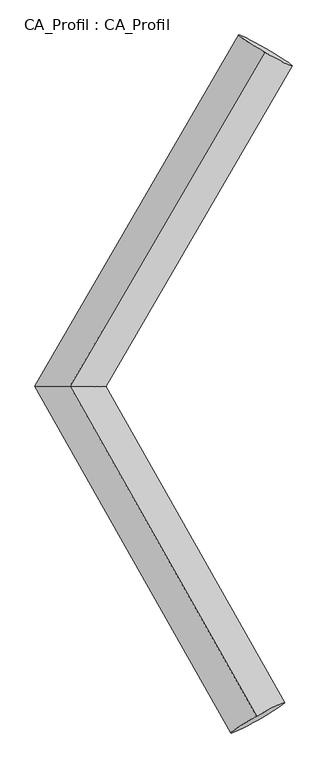
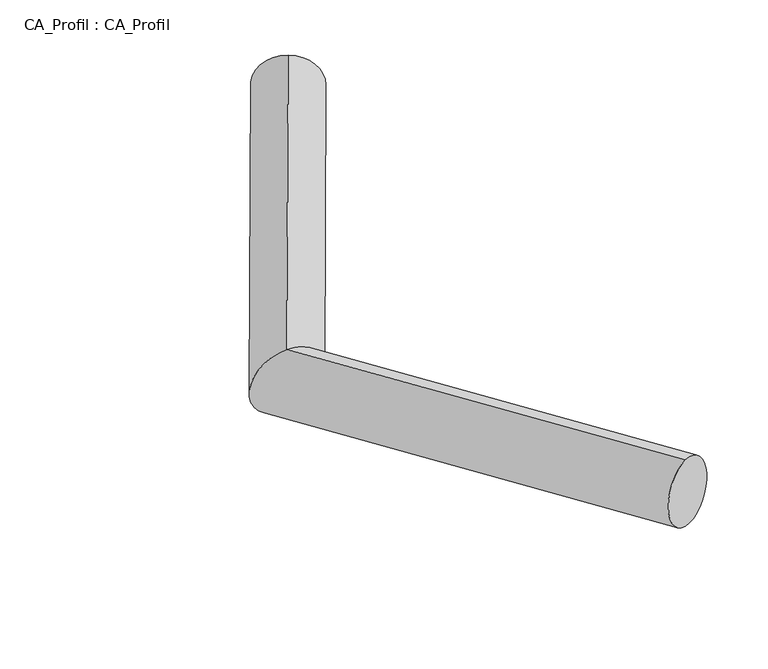
"""IFC4 building model written with IfcOpenShell, lengths in millimetres: plate geometry, CA_Profil : CA_Profil."""

from ifc_helpers import new_model, si_unit, frame, origin, place, context, project, spatial, circle_curve, ellipse_curve, source, transform, mapped, element, save
from ifc_brep_helpers import plane_surface, cylinder_surface, advanced_brep


def ca_profil_ca_profil_8c87a880(model_context):
    return source(origin(), model_context, "Body", "AdvancedBrep", [
        advanced_brep(
        [(6134.3099618, 8834.0301475, -153.6608627), (6120.4595427, 8806.7189534, 345.4005208), (4543.2773438, 6095.7104926, -347.6715623), (4545.6318378, 6096.2895074, 153.3658503), (6071.7882975, 3393.0420617, -151.0617019), (6058.2657112, 3421.6944662, 347.9334678)],
        [
            (0, 1, circle_curve(frame((6127.3847523, 8820.3745504, 95.869829), z_axis=(0.5014411848760472, 0.8630283482058659, 0.06114579546592431), x_axis=(-0.02770083820974605, -0.05462238816739739, 0.9981227671350692)), 250.0)),
            (1, 0, circle_curve(frame((6127.3847523, 8820.3745504, 95.869829), z_axis=(0.5014411848760472, 0.8630283482058659, 0.06114579546592431), x_axis=(-0.02770083820974605, -0.05462238816739739, 0.9981227671350692)), 250.0)),
            (0, 2),
            (2, 3, ellipse_curve(frame((4544.4545908, 6096.0, -97.152856), z_axis=(0.005857859679163249, 0.9999821426719874, -0.0011831386733672474), x_axis=(0.9922313837091266, -0.005665416404527502, 0.12427704631039137)), 288.7242892, 250.0)),
            (3, 1),
            (3, 2, ellipse_curve(frame((4544.4545908, 6096.0, -97.152856), z_axis=(0.005857859679163249, 0.9999821426719874, -0.0011831386733672474), x_axis=(0.9922313837091266, -0.005665416404527502, 0.12427704631039137)), 288.7242892, 250.0)),
            (4, 5, circle_curve(frame((6065.0270044, 3407.3682639, 98.435883), z_axis=(0.49129680163991624, -0.8686966571976463, 0.06319470287946606), x_axis=(-0.02704517268525678, 0.05730480913081201, 0.9979903393745382)), 250.0)),
            (5, 4, circle_curve(frame((6065.0270044, 3407.3682639, 98.435883), z_axis=(0.49129680163991624, -0.8686966571976463, 0.06319470287946606), x_axis=(-0.02704517268525678, 0.05730480913081201, 0.9979903393745382)), 250.0)),
            (2, 4),
            (5, 3),
        ],
        [
            plane_surface(frame((6127.3847523, 8838.0428293, -153.5050533), z_axis=(0.5014411848760466, 0.8630283482058663, 0.061145795465923636), x_axis=(0.8651917348831452, -0.5001873458308247, -0.03543841080816922))),
            cylinder_surface(frame((6127.3847523, 8820.3745504, 95.869829), z_axis=(0.5014411848760472, 0.8630283482058659, 0.06114579546592431), x_axis=(-0.02770083820974605, -0.05462238816739739, 0.9981227671350692)), 250.0),
            plane_surface(frame((6065.0270044, 3389.2295535, -150.9052231), z_axis=(0.49129680163991574, -0.8686966571976465, 0.06319470287946606), x_axis=(0.870992223098685, 0.49000195174892414, -0.03564596167668508))),
            cylinder_surface(frame((4544.4545908, 6096.0, -97.152856), z_axis=(-0.49129680163991624, 0.8686966571976463, -0.06319470287946606), x_axis=(-0.02704517268525678, 0.05730480913081201, 0.9979903393745382)), 250.0),
        ],
        [
            (0, [[1, 2]]),
            (1, [[-1, 3, 4, 5]]),
            (1, [[-2, -5, 6, -3]]),
            (2, [[7, 8]]),
            (3, [[-4, 9, -8, 10]]),
            (3, [[-6, -10, -7, -9]]),
        ],
    ),
    ])


if __name__ == "__main__":
    model = new_model("IFC4")
    model_context = context("Model", 3, world=origin())
    ifc_project = project(units=[si_unit("LENGTHUNIT", "METRE", prefix="MILLI")], contexts=[model_context])
    site = spatial("IfcSite", under=ifc_project)
    building = spatial("IfcBuilding", under=site)
    placement = place(None, origin())
    ca_profil_ca_profil_shape = ca_profil_ca_profil_8c87a880(model_context)
    element("IfcPlate", 1, ObjectType="CA_Profil : CA_Profil", at=placement, inside=building, context=model_context, shape_type="MappedRepresentation", body=[
        mapped(ca_profil_ca_profil_shape, transform((0.0, 0.0, 0.0), x_axis=(1.0, 0.0, 0.0), y_axis=(0.0, 1.0, 0.0), z_axis=(0.0, 0.0, 1.0))),
    ])
    save(model, "model.ifc")
